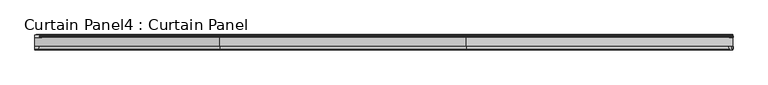
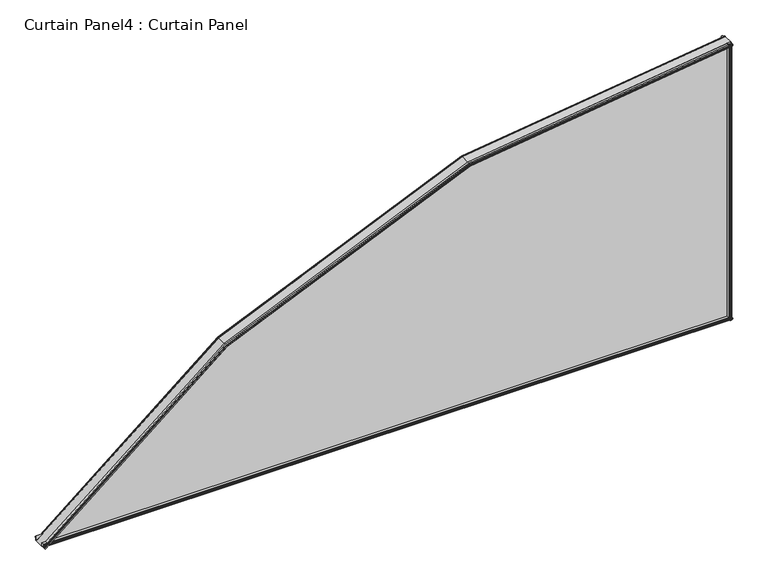
"""IFC4 building model written with IfcOpenShell, lengths in millimetres: plate geometry, Curtain Panel4 : Curtain Panel."""

from ifc_helpers import new_model, si_unit, point, frame, frame_2d, origin, place, context, project, spatial, polyline, circle_curve, ellipse_curve, trimmed, segment, composite_curve, outline, extrude, faceted_brep, source, transform, mapped, element, save
from ifc_brep_helpers import plane_surface, cylinder_surface, advanced_brep


def curtain_panel4_curtain_panel_7cc1cd4c(model_context):
    return source(origin(), model_context, "Body", "SolidModel", [
        faceted_brep([(-22695.3849482, 12774.844983, -412.5040723), (-22695.3849482, 12775.657783, -412.5040723), (-22694.3975567, 12775.403783, -413.6980984), (-22694.7051049, 12778.121583, -413.3261887), (-22697.4593045, 12778.121583, -409.995609), (-22697.4593045, 12784.852583, -409.995609), (-22689.5909214, 12784.852583, -419.5106334), (-22690.35087, 12778.121583, -418.5916479), (-22693.0864302, 12778.121583, -415.2836085), (-22693.3939784, 12775.403783, -414.9116987), (-22692.4065868, 12775.657783, -416.1057248), (-22692.4065868, 12774.844983, -416.1057248), (-22693.8957675, 12774.438583, -414.3048986), (-20458.3561612, 12774.844983, 536.3371513), (-20458.0475569, 12774.438583, 534.0208185), (-20457.7389525, 12774.844983, 531.7044857), (-20457.7389525, 12775.657783, 531.7044857), (-20457.9435706, 12775.403783, 533.240315), (-20457.8798371, 12778.121583, 532.761942), (-20457.3129444, 12778.121583, 528.5069393), (-20457.1554595, 12784.852583, 527.324884), (-20458.7860321, 12784.852583, 539.5636901), (-20458.7860321, 12778.121583, 539.5636901), (-20458.2152766, 12778.121583, 535.279695), (-20458.1515431, 12775.403783, 534.8013219), (-20458.3561612, 12775.657783, 536.3371513), (-22103.3257922, 12774.844983, 77.0951236), (-22103.3257922, 12775.657783, 77.0951236), (-22102.50621, 12775.403783, 75.7623287), (-22102.7614897, 12778.121583, 76.1774616), (-21311.7975159, 12778.121583, 421.557178), (-21312.9703476, 12778.121583, 425.7609587), (-22105.0476069, 12778.121583, 79.8951187), (-22105.0476069, 12784.852583, 79.8951187), (-21312.9703476, 12784.852583, 425.7609587), (-21309.619723, 12784.852583, 413.7513146), (-22098.5164732, 12784.852583, 69.2742652), (-22099.1472669, 12778.121583, 70.3000545), (-21309.9433349, 12778.121583, 414.9112369), (-21311.1082293, 12778.121583, 419.0865679), (-22101.4179125, 12778.121583, 73.9925519), (-22101.6731921, 12775.403783, 74.4076847), (-22100.85361, 12775.657783, 73.0748898), (-22100.85361, 12774.844983, 73.0748898), (-22102.0897011, 12774.438583, 75.0850067), (-21312.0870163, 12774.844983, 422.5948342), (-21312.0870163, 12775.657783, 422.5948342), (-21311.6665515, 12775.403783, 421.0877621), (-21311.2391938, 12775.403783, 419.5559838), (-21310.8187289, 12775.657783, 418.0489117), (-21310.8187289, 12774.844983, 418.0489117), (-21311.4528726, 12774.438583, 420.321873)], [[[0, 1, 2, 3, 4, 5, 6, 7, 8, 9, 10, 11, 12]], [[13, 14, 15, 16, 17, 18, 19, 20, 21, 22, 23, 24, 25]], [[1, 0, 26, 27]], [[2, 1, 27, 28]], [[3, 2, 28, 29]], [[4, 3, 29, 30, 23, 22, 31, 32]], [[5, 4, 32, 33]], [[6, 5, 33, 34, 21, 20, 35, 36]], [[7, 6, 36, 37]], [[8, 7, 37, 38, 19, 18, 39, 40]], [[9, 8, 40, 41]], [[10, 9, 41, 42]], [[11, 10, 42, 43]], [[12, 11, 43, 44]], [[0, 12, 44, 26]], [[27, 26, 45, 46]], [[28, 27, 46, 47]], [[29, 28, 47, 30]], [[33, 32, 31, 34]], [[37, 36, 35, 38]], [[41, 40, 39, 48]], [[42, 41, 48, 49]], [[43, 42, 49, 50]], [[44, 43, 50, 51]], [[26, 44, 51, 45]], [[46, 45, 13, 25]], [[47, 46, 25, 24]], [[30, 47, 24, 23]], [[34, 31, 22, 21]], [[38, 35, 20, 19]], [[48, 39, 18, 17]], [[49, 48, 17, 16]], [[50, 49, 16, 15]], [[51, 50, 15, 14]], [[45, 51, 14, 13]]]),
        advanced_brep(
        [(-22690.8728926, 12815.002383, -417.96038), (-22696.9591094, 12815.002383, -410.6004816), (-22697.1899772, 12816.7171485, -410.3212993), (-22697.2152382, 12818.0373518, -410.2907518), (-22696.9591094, 12819.752183, -410.6004816), (-22694.7253383, 12819.752183, -413.3017209), (-22694.4177901, 12822.469983, -413.6736307), (-22695.4051817, 12822.215983, -412.4796046), (-22695.4051817, 12823.028783, -412.4796046), (-22693.916001, 12823.435183, -414.2804308), (-22692.4268203, 12823.028783, -416.081257), (-22692.4268203, 12822.215983, -416.081257), (-22693.4142118, 12822.469983, -414.887231), (-22693.1066636, 12819.752183, -415.2591407), (-22690.8728926, 12819.752183, -417.96038), (-22690.6167637, 12818.0373518, -418.2701098), (-22690.6420247, 12816.7171485, -418.2395624), (-20457.4211236, 12815.002383, 529.3189147), (-20457.3732806, 12816.7171485, 528.9598133), (-20457.3680458, 12818.0373518, 528.9205213), (-20457.4211236, 12819.752183, 529.3189147), (-20457.8840301, 12819.752183, 532.7934139), (-20457.9477636, 12822.469983, 533.271787), (-20457.7431455, 12822.215983, 531.7359576), (-20457.7431455, 12823.028783, 531.7359576), (-20458.0517499, 12823.435183, 534.0522904), (-20458.3603542, 12823.028783, 536.3686232), (-20458.3603542, 12822.215983, 536.3686232), (-20458.1557361, 12822.469983, 534.8327938), (-20458.2194696, 12819.752183, 535.3111669), (-20458.6823762, 12819.752183, 538.7856661), (-20458.735454, 12818.0373518, 539.1840594), (-20458.7302191, 12816.7171485, 539.1447675), (-20458.6823762, 12815.002383, 538.7856661), (-22099.5805706, 12815.002383, 71.0046879), (-21310.1656299, 12815.002383, 415.7080086), (-21312.7573476, 12815.002383, 424.9975025), (-22104.6324211, 12815.002383, 79.2199483), (-22104.8240524, 12816.7171485, 79.531577), (-22104.8450203, 12818.0373518, 79.5656746), (-22104.6324211, 12819.752183, 79.2199483), (-21312.7573476, 12819.752183, 424.9975025), (-21311.806132, 12819.752183, 421.5880606), (-22102.7782844, 12819.752183, 76.2047729), (-22102.5230048, 12822.469983, 75.7896401), (-22103.3425869, 12822.215983, 77.122435), (-22103.3425869, 12823.028783, 77.122435), (-22102.1064958, 12823.435183, 75.1123181), (-22100.8704047, 12823.028783, 73.1022012), (-22100.8704047, 12822.215983, 73.1022012), (-22101.6899869, 12822.469983, 74.4349961), (-22101.4347072, 12819.752183, 74.0198633), (-21311.1168454, 12819.752183, 419.1174506), (-21310.1656299, 12819.752183, 415.7080086), (-22099.5805706, 12819.752183, 71.0046879), (-22099.3679714, 12818.0373518, 70.6589616), (-22099.3889392, 12816.7171485, 70.6930592), (-21312.855659, 12816.7171485, 425.34988), (-21312.8664159, 12818.0373518, 425.3884363), (-21311.6751676, 12822.469983, 421.1186447), (-21312.0956324, 12822.215983, 422.6257169), (-21312.0956324, 12823.028783, 422.6257169), (-21311.4614887, 12823.435183, 420.3527556), (-21310.827345, 12823.028783, 418.0797943), (-21310.827345, 12822.215983, 418.0797943), (-21311.2478099, 12822.469983, 419.5868665), (-21310.0565615, 12818.0373518, 415.3170749), (-21310.0673185, 12816.7171485, 415.3556312)],
        [
            (0, 1),
            (1, 2),
            (2, 3, circle_curve(frame((-22697.2019106, 12817.377283, -410.3068686), z_axis=(-0.7706377184790564, 0.0, -0.6372734945511187), x_axis=(-0.020181198319110177, 0.9994984420496656, 0.02440458101865762)), 0.6604)),
            (3, 4),
            (4, 5),
            (5, 6),
            (6, 7),
            (7, 8),
            (8, 9),
            (9, 10),
            (10, 11),
            (11, 12),
            (12, 13),
            (13, 14),
            (14, 15),
            (15, 16, circle_curve(frame((-22690.6300914, 12817.377283, -418.253993), z_axis=(-0.7706377184790563, 0.0, -0.6372734945511187), x_axis=(-0.01806984096852268, -0.9995979183315228, 0.021851373289998467)), 0.6604)),
            (16, 0),
            (17, 18),
            (18, 19, circle_curve(frame((-20457.3708077, 12817.377283, 528.9412517), z_axis=(0.9912413513303476, 0.0, 0.13206280101825194), x_axis=(-0.003744630574883474, -0.9995979183315227, 0.028106572347835743)), 0.6604)),
            (19, 20),
            (20, 21),
            (21, 22),
            (22, 23),
            (23, 24),
            (24, 25),
            (25, 26),
            (26, 27),
            (27, 28),
            (28, 29),
            (29, 30),
            (30, 31),
            (31, 32, circle_curve(frame((-20458.7326921, 12817.377283, 539.1633291), z_axis=(0.9912413513303476, 0.0, 0.13206280101825196), x_axis=(-0.004182169195350477, 0.9994984420496655, 0.0313906642349765)), 0.6604)),
            (32, 33),
            (33, 17),
            (0, 34),
            (34, 35),
            (35, 17),
            (33, 36),
            (36, 37),
            (37, 1),
            (37, 38),
            (38, 2),
            (38, 39, ellipse_curve(frame((-22104.8339577, 12817.377283, 79.5476848), z_axis=(-0.851829253574002, 0.0, -0.5238195517118069), x_axis=(0.5238195517118054, 0.0, -0.8518292535740031)), 0.6668901, 0.6604)),
            (39, 3),
            (39, 40),
            (40, 4),
            (40, 41),
            (41, 30),
            (29, 42),
            (42, 43),
            (43, 5),
            (43, 44),
            (44, 6),
            (44, 45),
            (45, 7),
            (45, 46),
            (46, 8),
            (46, 47),
            (47, 9),
            (47, 48),
            (48, 10),
            (48, 49),
            (49, 11),
            (49, 50),
            (50, 12),
            (50, 51),
            (51, 13),
            (51, 52),
            (52, 21),
            (20, 53),
            (53, 54),
            (54, 14),
            (54, 55),
            (55, 15),
            (55, 56, ellipse_curve(frame((-22099.379034, 12817.377283, 70.6769514), z_axis=(-0.851829253574002, 0.0, -0.5238195517118069), x_axis=(0.5238195517118054, 0.0, -0.8518292535740031)), 0.6668901, 0.6604)),
            (56, 16),
            (56, 34),
            (36, 57),
            (57, 38),
            (57, 58, ellipse_curve(frame((-21312.8607406, 12817.377283, 425.3680941), z_axis=(-0.9632150690995057, 0.0, -0.2687317075814356), x_axis=(0.2687317075814342, 0.0, -0.9632150690995063)), 0.6668901, 0.6604)),
            (58, 39),
            (58, 41),
            (42, 59),
            (59, 44),
            (59, 60),
            (60, 45),
            (60, 61),
            (61, 46),
            (61, 62),
            (62, 47),
            (62, 63),
            (63, 48),
            (63, 64),
            (64, 49),
            (64, 65),
            (65, 50),
            (65, 52),
            (53, 66),
            (66, 55),
            (66, 67, ellipse_curve(frame((-21310.0622369, 12817.377283, 415.3374171), z_axis=(-0.9632150690995057, 0.0, -0.2687317075814356), x_axis=(0.26873170758143344, 0.0, -0.9632150690995064)), 0.6668901, 0.6604)),
            (67, 56),
            (67, 35),
            (32, 57),
            (31, 58),
            (28, 59),
            (27, 60),
            (26, 61),
            (25, 62),
            (24, 63),
            (23, 64),
            (22, 65),
            (19, 66),
            (18, 67),
        ],
        [
            plane_surface(frame((-22697.4593045, 12815.002383, -409.995609), z_axis=(-0.7706377184790564, 0.0, -0.6372734945511188), x_axis=(0.0, 1.0, 0.0))),
            plane_surface(frame((-20458.7860321, 12815.002383, 539.5636901), z_axis=(0.9912413513303476, 0.0, 0.1320628010182522), x_axis=(0.0, 1.0, 0.0))),
            plane_surface(frame((-22690.8728926, 12815.002383, -417.96038), z_axis=(0.0, -1.0, 0.0), x_axis=(0.7706377184790563, 0.0, 0.6372734945511188))),
            plane_surface(frame((-22696.9591094, 12815.002383, -410.6004816), z_axis=(-0.6235105080124741, -0.20670492848316746, 0.7539945085601055), x_axis=(0.7706377184790576, 0.0, 0.6372734945511171))),
            cylinder_surface(frame((-22697.2019106, 12817.377283, -410.3068686), z_axis=(-0.7706377184790564, 0.0, -0.6372734945511187), x_axis=(-0.020181198319110177, 0.9994984420496656, 0.02440458101865762)), 0.6604),
            plane_surface(frame((-22697.2152382, 12818.0373518, -410.2907518), z_axis=(-0.6204598685875237, 0.22819132278924756, 0.7503054522499798), x_axis=(0.7706377184790545, 0.0, 0.6372734945511209))),
            plane_surface(frame((-22696.9591094, 12819.752183, -410.6004816), z_axis=(0.0, 1.0, 0.0), x_axis=(0.7706377184790572, 0.0, 0.6372734945511177))),
            plane_surface(frame((-22694.7253383, 12819.752183, -413.3017209), z_axis=(-0.6274580342616836, 0.17483511041573976, 0.7587681460145651), x_axis=(0.7706377184790548, 0.0, 0.6372734945511207))),
            plane_surface(frame((-22694.4177901, 12822.469983, -413.6736307), z_axis=(0.10309493682965806, -0.986827665105559, -0.12466993776528378), x_axis=(0.7706377184790563, 0.0, 0.6372734945511189))),
            plane_surface(frame((-22695.4051817, 12822.215983, -412.4796046), z_axis=(-0.637273494551122, 0.0, 0.7706377184790536), x_axis=(0.7706377184790536, 0.0, 0.637273494551122))),
            plane_surface(frame((-22695.4051817, 12823.028783, -412.4796046), z_axis=(-0.10919118919377228, 0.9852117548197965, 0.13204197199128434), x_axis=(0.7706377184790573, 0.0, 0.6372734945511175))),
            plane_surface(frame((-22693.916001, 12823.435183, -414.2804308), z_axis=(0.10919118919368812, 0.9852117548198207, -0.13204197199117354), x_axis=(0.7706377184790566, 0.0, 0.6372734945511184))),
            plane_surface(frame((-22692.4268203, 12823.028783, -416.081257), z_axis=(0.6372734945511188, 0.0, -0.7706377184790563), x_axis=(0.7706377184790563, 0.0, 0.6372734945511188))),
            plane_surface(frame((-22692.4268203, 12822.215983, -416.081257), z_axis=(-0.10309493682971073, -0.9868276651055465, 0.1246699377653387), x_axis=(0.7706377184790562, 0.0, 0.6372734945511189))),
            plane_surface(frame((-22693.4142118, 12822.469983, -414.887231), z_axis=(0.627458034261702, 0.174835110415554, -0.7587681460145925), x_axis=(0.7706377184790575, 0.0, 0.6372734945511174))),
            plane_surface(frame((-22693.1066636, 12819.752183, -415.2591407), z_axis=(0.0, 1.0, 0.0), x_axis=(0.7706377184790556, 0.0, 0.6372734945511197))),
            plane_surface(frame((-22690.8728926, 12819.752183, -417.96038), z_axis=(0.6204598685875412, 0.2281913227891183, -0.7503054522500043), x_axis=(0.7706377184790567, 0.0, 0.6372734945511184))),
            cylinder_surface(frame((-22690.6300914, 12817.377283, -418.253993), z_axis=(-0.7706377184790565, 0.0, -0.6372734945511188), x_axis=(-0.01806984096852268, -0.9995979183315228, 0.021851373289998467)), 0.6604),
            plane_surface(frame((-22690.6420247, 12816.7171485, -418.2395624), z_axis=(0.6235105080124836, -0.20670492848309333, -0.753994508560118), x_axis=(0.7706377184790573, 0.0, 0.6372734945511176))),
            plane_surface(frame((-22104.6324211, 12815.002383, 79.2199483), z_axis=(-0.3915277157273884, -0.20670492848316824, 0.8966488277793385), x_axis=(0.9164409011895445, 0.0, 0.4001700571343335))),
            cylinder_surface(frame((-22104.8859787, 12817.377283, 79.5249694), z_axis=(-0.9164409011895446, 0.0, -0.4001700571343337), x_axis=(-0.01267259874049142, 0.9994984420496656, 0.02902188108055751)), 0.6604),
            plane_surface(frame((-22104.8450203, 12818.0373518, 79.5656746), z_axis=(-0.38961209462684476, 0.2281913227892469, 0.8922618090696118), x_axis=(0.9164409011895437, 0.0, 0.4001700571343353))),
            plane_surface(frame((-22102.7782844, 12819.752183, 76.2047729), z_axis=(-0.39400652869888597, 0.17483511041573901, 0.9023256283119584), x_axis=(0.9164409011895437, 0.0, 0.4001700571343352))),
            plane_surface(frame((-22102.5230048, 12822.469983, 75.7896401), z_axis=(0.06473752182403858, -0.986827665105559, -0.14825725159462955), x_axis=(0.9164409011895444, 0.0, 0.40017005713433373))),
            plane_surface(frame((-22103.3425869, 12822.215983, 77.122435), z_axis=(-0.4001700571343325, 0.0, 0.9164409011895448), x_axis=(0.9164409011895448, 0.0, 0.4001700571343325))),
            plane_surface(frame((-22103.3425869, 12823.028783, 77.122435), z_axis=(-0.06856560768938841, 0.9852117548197963, 0.1570240605992675), x_axis=(0.9164409011895435, 0.0, 0.4001700571343358))),
            plane_surface(frame((-22102.1064958, 12823.435183, 75.1123181), z_axis=(0.06856560768933642, 0.9852117548198209, -0.15702406059913687), x_axis=(0.9164409011895442, 0.0, 0.40017005713433407))),
            plane_surface(frame((-22100.8704047, 12823.028783, 73.1022012), z_axis=(0.4001700571343327, 0.0, -0.9164409011895449), x_axis=(0.9164409011895449, 0.0, 0.4001700571343327))),
            plane_surface(frame((-22100.8704047, 12822.215983, 73.1022012), z_axis=(-0.06473752182407336, -0.9868276651055465, 0.14825725159469558), x_axis=(0.9164409011895431, 0.0, 0.4001700571343364))),
            plane_surface(frame((-22101.6899869, 12822.469983, 74.4349961), z_axis=(0.39400652869890035, 0.17483511041555472, -0.9023256283119879), x_axis=(0.9164409011895436, 0.0, 0.4001700571343357))),
            plane_surface(frame((-22099.5805706, 12819.752183, 71.0046879), z_axis=(0.3896120946268558, 0.22819132278911908, -0.8922618090696397), x_axis=(0.9164409011895445, 0.0, 0.4001700571343333))),
            cylinder_surface(frame((-22100.759265, 12817.377283, 70.0742643), z_axis=(-0.9164409011895447, 0.0, -0.4001700571343337), x_axis=(-0.011346791220111814, -0.9995979183315228, 0.025985611331921947)), 0.6604),
            plane_surface(frame((-22099.3889392, 12816.7171485, 70.6930592), z_axis=(0.3915277157273948, -0.20670492848309263, -0.896648827779353), x_axis=(0.9164409011895439, 0.0, 0.40017005713433457))),
            plane_surface(frame((-21312.7573476, 12815.002383, 424.9975025), z_axis=(-0.12921068404145974, -0.206704928483169, 0.969833837144439), x_axis=(0.9912413513303475, 0.0, 0.13206280101825274))),
            cylinder_surface(frame((-21312.9170076, 12817.377283, 425.3605976), z_axis=(-0.9912413513303476, 0.0, -0.13206280101825196), x_axis=(-0.004182169195350477, 0.9994984420496655, 0.0313906642349765)), 0.6604),
            plane_surface(frame((-21312.8664159, 12818.0373518, 425.3884363), z_axis=(-0.1285784970906431, 0.2281913227892462, 0.9650887473645134), x_axis=(0.9912413513303475, 0.0, 0.132062801018253))),
            plane_surface(frame((-21311.806132, 12819.752183, 421.5880606), z_axis=(-0.13002873371404036, 0.17483511041573835, 0.9759739815049581), x_axis=(0.9912413513303477, 0.0, 0.13206280101825132))),
            plane_surface(frame((-21311.6751676, 12822.469983, 421.1186447), z_axis=(0.021364463209180628, -0.9868276651055587, -0.16035809644073148), x_axis=(0.9912413513303475, 0.0, 0.1320628010182532))),
            plane_surface(frame((-21312.0956324, 12822.215983, 422.6257169), z_axis=(-0.13206280101825174, 0.0, 0.9912413513303476), x_axis=(0.9912413513303476, 0.0, 0.13206280101825174))),
            plane_surface(frame((-21312.0956324, 12823.028783, 422.6257169), z_axis=(-0.02262779546731264, 0.9852117548197963, 0.16984045759826258), x_axis=(0.9912413513303476, 0.0, 0.13206280101825174))),
            plane_surface(frame((-21311.4614887, 12823.435183, 420.3527556), z_axis=(0.022627795467298747, 0.985211754819821, -0.16984045759812127), x_axis=(0.9912413513303477, 0.0, 0.13206280101825135))),
            plane_surface(frame((-21310.827345, 12823.028783, 418.0797943), z_axis=(0.13206280101825263, 0.0, -0.9912413513303475), x_axis=(0.9912413513303475, 0.0, 0.13206280101825263))),
            plane_surface(frame((-21310.827345, 12822.215983, 418.0797943), z_axis=(-0.021364463209194853, -0.9868276651055468, 0.16035809644080332), x_axis=(0.9912413513303477, 0.0, 0.13206280101825105))),
            plane_surface(frame((-21311.2478099, 12822.469983, 419.5868665), z_axis=(0.13002873371404675, 0.17483511041555544, -0.9759739815049898), x_axis=(0.9912413513303475, 0.0, 0.13206280101825255))),
            plane_surface(frame((-21310.1656299, 12819.752183, 415.7080086), z_axis=(0.12857849709064623, 0.22819132278911977, -0.965088747364543), x_axis=(0.9912413513303477, 0.0, 0.13206280101825102))),
            cylinder_surface(frame((-21311.5551232, 12817.377283, 415.1385203), z_axis=(-0.9912413513303476, 0.0, -0.13206280101825194), x_axis=(-0.003744630574883474, -0.9995979183315227, 0.028106572347835743)), 0.6604),
            plane_surface(frame((-21310.0673185, 12816.7171485, 415.3556312), z_axis=(0.12921068404146055, -0.206704928483092, -0.9698338371444554), x_axis=(0.9912413513303476, 0.0, 0.13206280101825246))),
        ],
        [
            (0, [[1, 2, 3, 4, 5, 6, 7, 8, 9, 10, 11, 12, 13, 14, 15, 16, 17]]),
            (1, [[18, 19, 20, 21, 22, 23, 24, 25, 26, 27, 28, 29, 30, 31, 32, 33, 34]]),
            (2, [[-1, 35, 36, 37, -34, 38, 39, 40]]),
            (3, [[-2, -40, 41, 42]]),
            (4, [[-3, -42, 43, 44]]),
            (5, [[-4, -44, 45, 46]]),
            (6, [[-5, -46, 47, 48, -30, 49, 50, 51]]),
            (7, [[-6, -51, 52, 53]]),
            (8, [[-7, -53, 54, 55]]),
            (9, [[-8, -55, 56, 57]]),
            (10, [[-9, -57, 58, 59]]),
            (11, [[-10, -59, 60, 61]]),
            (12, [[-11, -61, 62, 63]]),
            (13, [[-12, -63, 64, 65]]),
            (14, [[-13, -65, 66, 67]]),
            (15, [[-14, -67, 68, 69, -21, 70, 71, 72]]),
            (16, [[-15, -72, 73, 74]]),
            (17, [[-16, -74, 75, 76]]),
            (18, [[-17, -76, 77, -35]]),
            (19, [[-41, -39, 78, 79]]),
            (20, [[-43, -79, 80, 81]]),
            (21, [[-45, -81, 82, -47]]),
            (22, [[-52, -50, 83, 84]]),
            (23, [[-54, -84, 85, 86]]),
            (24, [[-56, -86, 87, 88]]),
            (25, [[-58, -88, 89, 90]]),
            (26, [[-60, -90, 91, 92]]),
            (27, [[-62, -92, 93, 94]]),
            (28, [[-64, -94, 95, 96]]),
            (29, [[-66, -96, 97, -68]]),
            (30, [[-73, -71, 98, 99]]),
            (31, [[-75, -99, 100, 101]]),
            (32, [[-77, -101, 102, -36]]),
            (33, [[-78, -38, -33, 103]]),
            (34, [[-80, -103, -32, 104]]),
            (35, [[-82, -104, -31, -48]]),
            (36, [[-83, -49, -29, 105]]),
            (37, [[-85, -105, -28, 106]]),
            (38, [[-87, -106, -27, 107]]),
            (39, [[-89, -107, -26, 108]]),
            (40, [[-91, -108, -25, 109]]),
            (41, [[-93, -109, -24, 110]]),
            (42, [[-95, -110, -23, 111]]),
            (43, [[-97, -111, -22, -69]]),
            (44, [[-98, -70, -20, 112]]),
            (45, [[-100, -112, -19, 113]]),
            (46, [[-102, -113, -18, -37]]),
        ],
    ),
        extrude(outline(polyline([(12784.877983, -398.478009), (12784.877983, -409.995609), (12778.146983, -409.995609), (12778.146983, -406.503109), (12775.429183, -406.020509), (12775.683183, -407.569909), (12774.870383, -407.569909), (12774.463983, -405.233109), (12774.870383, -402.896309), (12775.683183, -402.896309), (12775.429183, -404.445709), (12778.146983, -403.963109), (12778.146983, -399.670509), (12784.877983, -398.478009)])), frame((-22697.4593045, 0.0, 0.0), z_axis=(1.0, 0.0, 0.0), x_axis=(0.0, 1.0, 0.0)), (0.0, 0.0, 1.0), 2238.6732724),
        extrude(outline(composite_curve([segment(trimmed(circle_curve(frame_2d((12826.5954773, -385.5547046)), 13.8172734), [point((12815.002383, -393.0724974))], [point((12822.952583, -398.883109))], True, "CARTESIAN"), True, "CONTINUOUS"), segment(polyline([(12822.952583, -398.883109), (12820.564983, -398.883109)]), True, "CONTINUOUS"), segment(trimmed(circle_curve(frame_2d((12820.564983, -399.670509)), 0.7874), [point((12820.564983, -398.883109))], [point((12819.777583, -399.670509))], True, "CARTESIAN"), True, "CONTINUOUS"), segment(polyline([(12819.777583, -399.670509), (12819.777583, -400.457909), (12821.352383, -400.457909), (12819.777583, -406.3003923), (12819.777583, -407.091305)]), True, "CONTINUOUS"), segment(trimmed(circle_curve(frame_2d((12817.389983, -407.091305)), 2.3876), [point((12819.777583, -407.091305))], [point((12815.002383, -407.091305))], False, "CARTESIAN"), True, "CONTINUOUS"), segment(polyline([(12815.002383, -407.091305), (12815.002383, -393.0724974)]), True, "CONTINUOUS")], self_intersect=False)), frame((-22697.4593045, 0.0, 0.0), z_axis=(1.0, 0.0, 0.0), x_axis=(0.0, 1.0, 0.0)), (0.0, 0.0, 1.0), 2238.6732724),
        extrude(outline(polyline([(-20462.0372321, 12774.844983), (-20464.3740321, 12774.438583), (-20466.7108321, 12774.844983), (-20466.7108321, 12775.657783), (-20465.1614321, 12775.403783), (-20465.6440321, 12778.121583), (-20469.9366321, 12778.121583), (-20471.1291321, 12784.852583), (-20458.7821834, 12784.852583), (-20458.8114321, 12778.121583), (-20463.1040321, 12778.121583), (-20463.5866321, 12775.403783), (-20462.0372321, 12775.657783), (-20462.0372321, 12774.844983)])), frame((0.0, 0.0, -409.995609), z_axis=(0.0, 0.0, 1.0), x_axis=(1.0, 0.0, 0.0)), (0.0, 0.0, 1.0), 949.5592992),
        extrude(outline(composite_curve([segment(polyline([(-20469.9112321, 12815.002383), (-20470.2735065, 12816.7171485)]), True, "CONTINUOUS"), segment(trimmed(circle_curve(frame_2d((-20470.2922321, 12817.377283)), 0.6604), [point((-20470.2735065, 12816.7171485))], [point((-20470.3131457, 12818.0373518))], False, "CARTESIAN"), True, "CONTINUOUS"), segment(polyline([(-20470.3131457, 12818.0373518), (-20469.9112321, 12819.752183), (-20466.4060321, 12819.752183), (-20465.9234321, 12822.469983), (-20467.4728321, 12822.215983), (-20467.4728321, 12823.028783), (-20465.1360321, 12823.435183), (-20462.7992321, 12823.028783), (-20462.7992321, 12822.215983), (-20464.3486321, 12822.469983), (-20463.8660321, 12819.752183), (-20460.3608321, 12819.752183), (-20459.9589185, 12818.0373518)]), True, "CONTINUOUS"), segment(trimmed(circle_curve(frame_2d((-20459.9798321, 12817.377283)), 0.6604), [point((-20459.9589185, 12818.0373518))], [point((-20459.9985577, 12816.7171485))], False, "CARTESIAN"), True, "CONTINUOUS"), segment(polyline([(-20459.9985577, 12816.7171485), (-20460.3608321, 12815.002383), (-20469.9112321, 12815.002383)]), True, "CONTINUOUS")], self_intersect=False)), frame((0.0, 0.0, -409.995609), z_axis=(0.0, 0.0, 1.0), x_axis=(1.0, 0.0, 0.0)), (0.0, 0.0, 1.0), 949.5592992),
        extrude(outline(polyline([(-409.995609, -20458.7860321), (539.5636901, -20458.7860321), (425.7609587, -21312.9703476), (79.8951187, -22105.0476069), (-409.995609, -22697.4593045), (-409.995609, -20458.7860321)])), frame((0.0, 12784.839883, 0.0), z_axis=(0.0, 1.0, 0.0), x_axis=(0.0, 0.0, 1.0)), (0.0, 0.0, 1.0), 30.1625),
    ])


if __name__ == "__main__":
    model = new_model("IFC4")
    model_context = context("Model", 3, world=origin())
    ifc_project = project(units=[si_unit("LENGTHUNIT", "METRE", prefix="MILLI")], contexts=[model_context])
    site = spatial("IfcSite", under=ifc_project)
    building = spatial("IfcBuilding", under=site)
    placement = place(None, origin())
    curtain_panel4_curtain_panel_shape = curtain_panel4_curtain_panel_7cc1cd4c(model_context)
    element("IfcPlate", 1, ObjectType="Curtain Panel4 : Curtain Panel", at=placement, inside=building, context=model_context, shape_type="MappedRepresentation", body=[
        mapped(curtain_panel4_curtain_panel_shape, transform((0.0, 0.0, 0.0), x_axis=(1.0, 0.0, 0.0), y_axis=(0.0, 1.0, 0.0), z_axis=(0.0, 0.0, 1.0))),
    ])
    save(model, "model.ifc")
